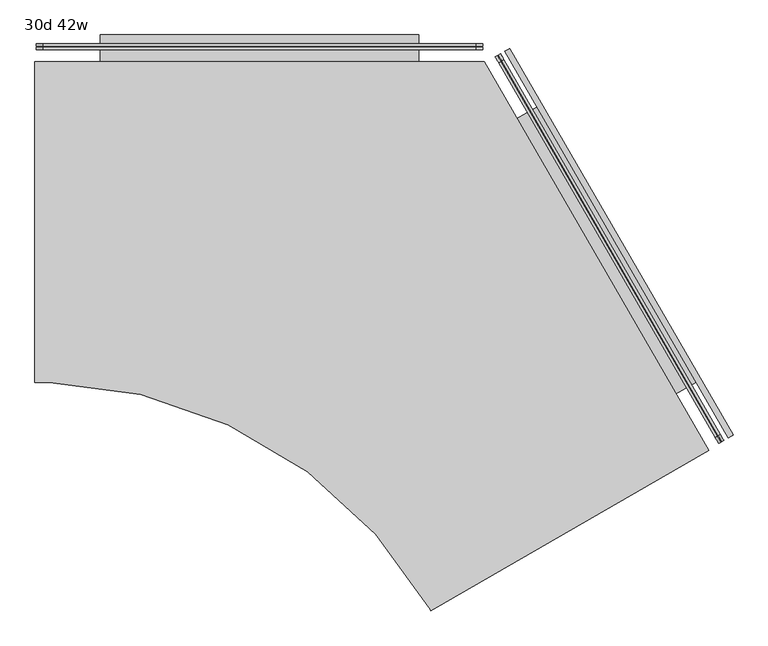
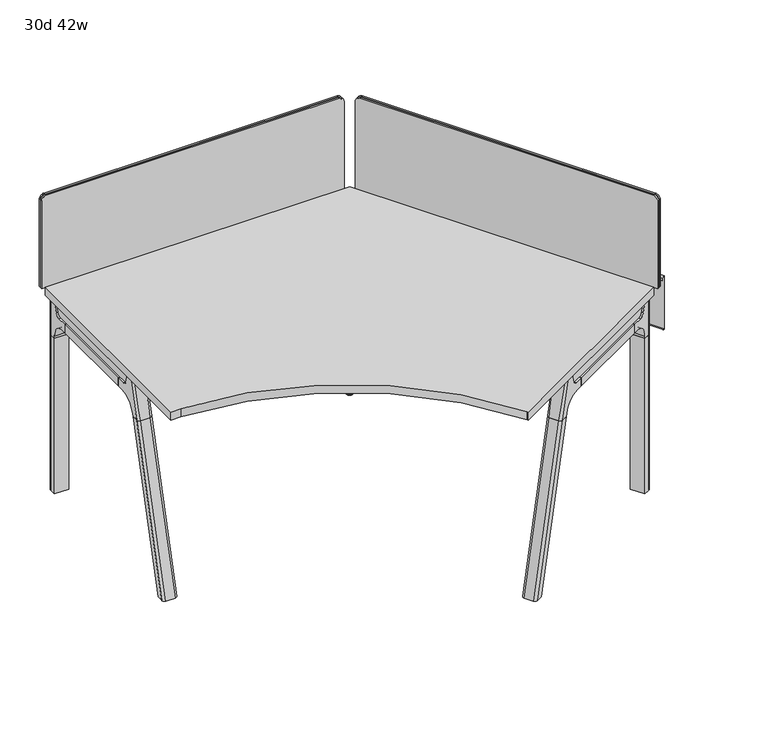
"""IFC4 building model written with IfcOpenShell, lengths in millimetres: furniture geometry, 30d 42w."""

from ifc_helpers import new_model, si_unit, point, frame, frame_2d, origin, place, context, project, spatial, polyline, circle_curve, ellipse_curve, trimmed, segment, composite_curve, outline, extrude, source, transform, mapped, element, save
from ifc_brep_helpers import plane_surface, cylinder_surface, revolved_surface, advanced_brep


def furniture_30d_42w_b254e23e(model_context):
    return source(origin(), model_context, "Body", "SolidModel", [
        extrude(outline(composite_curve([segment(polyline([(4447.870945, -1351.246301), (3787.9595873, -1732.246301), (3785.9089166, -1728.694435)]), True, "CONTINUOUS"), segment(trimmed(circle_curve(frame_2d((2851.0344932, -2268.444435)), 1079.5), [point((3785.9089166, -1728.694435))], [point((2881.3573776, -1189.3704002))], True, "CARTESIAN"), True, "CONTINUOUS"), segment(polyline([(2881.3573776, -1189.3704002), (2847.670945, -1189.3704002), (2847.670945, -427.3704002), (3914.470945, -427.3704002), (4447.870945, -1351.246301)]), True, "CONTINUOUS")], self_intersect=False)), frame((0.0, 0.0, 711.2), z_axis=(0.0, 0.0, 1.0), x_axis=(1.0, 0.0, 0.0)), (0.0, 0.0, 1.0), 30.1625),
        advanced_brep(
        [(3900.1963967, -460.0945908, 35.0000007), (3893.2682387, -456.0946169, 35.0000007), (3896.7323177, -458.0946039, 35.0000007), (3900.1963967, -460.0945908, 5.0000003), (3893.2682387, -456.0946169, 5.0000003), (3905.5711745, -463.1977202, 5.0000003), (3887.893461, -452.9914875, 5.0000003), (3906.2585821, -463.5945952, 4.2062503), (3887.2060533, -452.5946125, 4.2062503), (3906.2585821, -463.5945952, 0.79375), (3887.2060533, -452.5946125, 0.79375), (3905.5711745, -463.1977202, 0.0), (3887.893461, -452.9914875, 0.0), (3896.7323177, -458.0946039, 0.0)],
        [
            (0, 1, circle_curve(frame((3896.7323177, -458.0946039, 35.0000007), z_axis=(0.0, 0.0, 1.0), x_axis=(-0.8660254037844346, 0.5000000000000068, 0.0)), 3.9999739)),
            (1, 2),
            (2, 0),
            (1, 0, circle_curve(frame((3896.7323177, -458.0946039, 35.0000007), z_axis=(0.0, 0.0, 1.0), x_axis=(-0.8660254037844346, 0.5000000000000068, 0.0)), 3.9999739)),
            (3, 4, circle_curve(frame((3896.7323177, -458.0946039, 5.0000003), z_axis=(0.0, 0.0, 1.0), x_axis=(-0.8660254037844346, 0.5000000000000068, 0.0)), 3.9999739)),
            (4, 1),
            (0, 3),
            (4, 3, circle_curve(frame((3896.7323177, -458.0946039, 5.0000003), z_axis=(0.0, 0.0, 1.0), x_axis=(-0.8660254037844346, 0.5000000000000068, 0.0)), 3.9999739)),
            (5, 6, circle_curve(frame((3896.7323177, -458.0946039, 5.0000003), z_axis=(0.0, 0.0, 1.0), x_axis=(-0.8660254037844346, 0.5000000000000068, 0.0)), 10.2062326)),
            (6, 4),
            (3, 5),
            (6, 5, circle_curve(frame((3896.7323177, -458.0946039, 5.0000003), z_axis=(0.0, 0.0, 1.0), x_axis=(-0.8660254037844346, 0.5000000000000068, 0.0)), 10.2062326)),
            (7, 8, circle_curve(frame((3896.7323177, -458.0946039, 4.2062503), z_axis=(0.0, 0.0, 1.0), x_axis=(-0.8660254037844346, 0.5000000000000068, 0.0)), 10.9999826)),
            (8, 6, circle_curve(frame((3887.893461, -452.9914875, 4.2062503), z_axis=(0.5000000000000068, 0.8660254037844346, 0.0), x_axis=(0.0, 0.0, -1.0)), 0.79375)),
            (5, 7, circle_curve(frame((3905.5711745, -463.1977202, 4.2062503), z_axis=(0.500000000000004, 0.8660254037844363, 0.0), x_axis=(0.0, 0.0, -1.0)), 0.79375)),
            (8, 7, circle_curve(frame((3896.7323177, -458.0946039, 4.2062503), z_axis=(0.0, 0.0, 1.0), x_axis=(-0.8660254037844346, 0.5000000000000068, 0.0)), 10.9999826)),
            (9, 10, circle_curve(frame((3896.7323177, -458.0946039, 0.79375), z_axis=(0.0, 0.0, 1.0), x_axis=(-0.8660254037844346, 0.5000000000000068, 0.0)), 10.9999826)),
            (10, 8),
            (7, 9),
            (10, 9, circle_curve(frame((3896.7323177, -458.0946039, 0.79375), z_axis=(0.0, 0.0, 1.0), x_axis=(-0.8660254037844346, 0.5000000000000068, 0.0)), 10.9999826)),
            (11, 12, circle_curve(frame((3896.7323177, -458.0946039, 0.0), z_axis=(0.0, 0.0, 1.0), x_axis=(-0.8660254037844346, 0.5000000000000068, 0.0)), 10.2062326)),
            (12, 10, circle_curve(frame((3887.893461, -452.9914875, 0.79375), z_axis=(0.5000000000000068, 0.8660254037844346, 0.0), x_axis=(0.0, 0.0, -1.0)), 0.79375)),
            (9, 11, circle_curve(frame((3905.5711745, -463.1977202, 0.79375), z_axis=(0.500000000000004, 0.8660254037844363, 0.0), x_axis=(0.0, 0.0, -1.0)), 0.79375)),
            (12, 11, circle_curve(frame((3896.7323177, -458.0946039, 0.0), z_axis=(0.0, 0.0, 1.0), x_axis=(-0.8660254037844346, 0.5000000000000068, 0.0)), 10.2062326)),
            (13, 12),
            (11, 13),
        ],
        [
            plane_surface(frame((3896.7323177, -458.0946039, 35.0000007), z_axis=(0.0, 0.0, 1.0), x_axis=(-0.8660254037844347, 0.5000000000000069, 0.0))),
            cylinder_surface(frame((3896.7323177, -458.0946039, 52.3860264), z_axis=(0.0, 0.0, -1.0), x_axis=(-0.8660254037844346, 0.5000000000000068, 0.0)), 3.9999739),
            plane_surface(frame((3896.7323177, -458.0946039, 5.0000003), z_axis=(0.0, 0.0, 1.0), x_axis=(-0.8660254037844347, 0.5000000000000069, 0.0))),
            revolved_surface(trimmed(ellipse_curve(frame((3887.893461, -452.9914875, 4.2062503), z_axis=(-0.5000000000000068, -0.8660254037844346, 0.0), x_axis=(0.0, 0.0, -1.0)), 0.79375, 0.79375), [point((3887.893461, -452.9914875, 5.0000003))], [point((3887.2060533, -452.5946125, 4.2062503))], True, "CARTESIAN"), (3896.7323177, -458.0946039, 52.3860264), (0.0, 0.0, -1.0)),
            cylinder_surface(frame((3896.7323177, -458.0946039, 52.3860264), z_axis=(0.0, 0.0, -1.0), x_axis=(-0.8660254037844346, 0.5000000000000068, 0.0)), 10.9999826),
            revolved_surface(trimmed(ellipse_curve(frame((3887.893461, -452.9914875, 0.79375), z_axis=(-0.5000000000000068, -0.8660254037844346, 0.0), x_axis=(0.0, 0.0, -1.0)), 0.79375, 0.79375), [point((3887.2060533, -452.5946125, 0.79375))], [point((3887.893461, -452.9914875, 0.0))], True, "CARTESIAN"), (3896.7323177, -458.0946039, 52.3860264), (0.0, 0.0, -1.0)),
            plane_surface(frame((3896.7323177, -458.0946039, 0.0), z_axis=(0.0, 0.0, -1.0), x_axis=(-0.8660254037844347, 0.5000000000000069, 0.0))),
        ],
        [
            (0, [[1, 2, 3]]),
            (0, [[4, -3, -2]]),
            (1, [[5, 6, -1, 7]]),
            (1, [[8, -7, -4, -6]]),
            (2, [[9, 10, -5, 11]]),
            (2, [[12, -11, -8, -10]]),
            (3, [[13, 14, -9, 15]]),
            (3, [[16, -15, -12, -14]]),
            (4, [[17, 18, -13, 19]]),
            (4, [[20, -19, -16, -18]]),
            (5, [[21, 22, -17, 23]]),
            (5, [[24, -23, -20, -22]]),
            (6, [[25, -21, 26]]),
            (6, [[-26, -24, -25]]),
        ],
    ),
        extrude(outline(composite_curve([segment(trimmed(circle_curve(frame_2d((3910.3539816, -481.5552641)), 1.4920026), [point((3911.6460938, -482.3012654))], [point((3909.6079803, -482.8473763))], False, "CARTESIAN"), True, "CONTINUOUS"), segment(polyline([(3909.6079803, -482.8473763), (3868.8579567, -459.3203392)]), True, "CONTINUOUS"), segment(trimmed(circle_curve(frame_2d((3869.603958, -458.028227)), 1.4920026), [point((3868.8579567, -459.3203392))], [point((3868.3118459, -457.2822257))], False, "CARTESIAN"), True, "CONTINUOUS"), segment(polyline([(3868.3118459, -457.2822257), (3877.7172574, -440.9915751)]), True, "CONTINUOUS"), segment(trimmed(circle_curve(frame_2d((3886.3098532, -445.9525126)), 9.921875), [point((3877.7172574, -440.9915751))], [point((3891.2707907, -437.3599168))], False, "CARTESIAN"), True, "CONTINUOUS"), segment(polyline([(3891.2707907, -437.3599168), (3917.419847, -452.4570815)]), True, "CONTINUOUS"), segment(trimmed(circle_curve(frame_2d((3912.4589095, -461.0496773)), 9.921875), [point((3917.419847, -452.4570815))], [point((3921.0515053, -466.0106148))], False, "CARTESIAN"), True, "CONTINUOUS"), segment(polyline([(3921.0515053, -466.0106148), (3911.6460938, -482.3012654)]), True, "CONTINUOUS")], self_intersect=False)), frame((0.0, 0.0, 10.7173168), z_axis=(0.0, 0.0, 1.0), x_axis=(1.0, 0.0, 0.0)), (0.0, 0.0, 1.0), 700.4826832),
        extrude(outline(composite_curve([segment(trimmed(circle_curve(frame_2d((0.0, -15.875)), 15.875), [point((0.0, -31.75))], [point((-15.875, -15.875))], False, "CARTESIAN"), True, "CONTINUOUS"), segment(polyline([(-15.875, -15.875), (-15.875, 302.41875), (1038.225, 302.41875), (1038.225, -15.875)]), True, "CONTINUOUS"), segment(trimmed(circle_curve(frame_2d((1022.35, -15.875)), 15.875), [point((1038.225, -15.875))], [point((1022.35, -31.75))], False, "CARTESIAN"), True, "CONTINUOUS"), segment(polyline([(1022.35, -31.75), (0.0, -31.75)]), True, "CONTINUOUS")], self_intersect=False)), frame((3955.1419745, -429.5521898, 1023.14375), z_axis=(0.8660254037844421, 0.4999999999999942, 0.0), x_axis=(0.4999999999999941, -0.8660254037844419, 0.0)), (0.0, 0.0, 1.0), 3.175),
        extrude(outline(composite_curve([segment(trimmed(circle_curve(frame_2d((0.0, -15.875)), 15.875), [point((15.875, -15.875))], [point((0.0, -31.7499999))], False, "CARTESIAN"), True, "CONTINUOUS"), segment(polyline([(0.0, -31.7499999), (-324.64375, -31.7499999), (-324.64375, 1028.7), (0.0, 1028.7)]), True, "CONTINUOUS"), segment(trimmed(circle_curve(frame_2d((0.0, 1012.825)), 15.875), [point((0.0, 1028.7))], [point((15.875, 1012.825))], False, "CARTESIAN"), True, "CONTINUOUS"), segment(polyline([(15.875, 1012.825), (15.875, -15.875)]), True, "CONTINUOUS")], self_intersect=False)), frame((3956.6801209, -443.3288374, 1042.19375), z_axis=(0.8660254037844438, 0.49999999999999145, 0.0), x_axis=(0.0, 0.0, 1.0)), (0.0, 0.0, 1.0), 5.55625),
        extrude(outline(composite_curve([segment(trimmed(circle_curve(frame_2d((0.0, -15.875)), 15.875), [point((0.0, -31.75))], [point((-15.8749999, -15.875))], False, "CARTESIAN"), True, "CONTINUOUS"), segment(polyline([(-15.8749999, -15.875), (-15.8749999, 308.76875), (1044.575, 308.76875), (1044.575, -15.875)]), True, "CONTINUOUS"), segment(trimmed(circle_curve(frame_2d((1028.7, -15.875)), 15.875), [point((1044.575, -15.875))], [point((1028.7, -31.75))], False, "CARTESIAN"), True, "CONTINUOUS"), segment(polyline([(1028.7, -31.75), (0.0, -31.75)]), True, "CONTINUOUS")], self_intersect=False)), frame((3956.3041052, -425.2150591, 1026.31875), z_axis=(0.8660254037844421, 0.4999999999999942, 0.0), x_axis=(0.4999999999999941, -0.8660254037844419, 0.0)), (0.0, 0.0, 1.0), 5.55625),
        extrude(outline(composite_curve([segment(polyline([(1054.89375, 3892.245945), (1054.89375, 2869.895945)]), True, "CONTINUOUS"), segment(trimmed(circle_curve(frame_2d((1039.01875, 2869.895945)), 15.875), [point((1054.89375, 2869.895945))], [point((1039.01875, 2854.020945))], False, "CARTESIAN"), True, "CONTINUOUS"), segment(polyline([(1039.01875, 2854.020945), (720.725, 2854.020945), (720.725, 3908.120945), (1039.01875, 3908.120945)]), True, "CONTINUOUS"), segment(trimmed(circle_curve(frame_2d((1039.01875, 3892.245945)), 15.875), [point((1039.01875, 3908.120945))], [point((1054.89375, 3892.245945))], False, "CARTESIAN"), True, "CONTINUOUS")], self_intersect=False)), frame((0.0, -393.2391502, 0.0), z_axis=(0.0, 1.0, 0.0), x_axis=(0.0, 0.0, 1.0)), (0.0, 0.0, 1.0), 3.175),
        extrude(outline(composite_curve([segment(polyline([(1058.06875, 3895.420945), (1058.06875, 2866.720945)]), True, "CONTINUOUS"), segment(trimmed(circle_curve(frame_2d((1042.19375, 2866.720945)), 15.875), [point((1058.06875, 2866.720945))], [point((1042.19375, 2850.845945))], False, "CARTESIAN"), True, "CONTINUOUS"), segment(polyline([(1042.19375, 2850.845945), (717.55, 2850.845945), (717.55, 3911.295945), (1042.19375, 3911.295945)]), True, "CONTINUOUS"), segment(trimmed(circle_curve(frame_2d((1042.19375, 3895.420945)), 15.875), [point((1042.19375, 3911.295945))], [point((1058.06875, 3895.420945))], False, "CARTESIAN"), True, "CONTINUOUS")], self_intersect=False)), frame((0.0, -390.0641502, 0.0), z_axis=(0.0, 1.0, 0.0), x_axis=(0.0, 0.0, 1.0)), (0.0, 0.0, 1.0), 5.55625),
        extrude(outline(composite_curve([segment(polyline([(1058.06875, 3895.420945), (1058.06875, 2866.720945)]), True, "CONTINUOUS"), segment(trimmed(circle_curve(frame_2d((1042.19375, 2866.720945)), 15.875), [point((1058.06875, 2866.720945))], [point((1042.19375, 2850.845945))], False, "CARTESIAN"), True, "CONTINUOUS"), segment(polyline([(1042.19375, 2850.845945), (717.55, 2850.845945), (717.55, 3911.295945), (1042.19375, 3911.295945)]), True, "CONTINUOUS"), segment(trimmed(circle_curve(frame_2d((1042.19375, 3895.420945)), 15.875), [point((1042.19375, 3911.295945))], [point((1058.06875, 3895.420945))], False, "CARTESIAN"), True, "CONTINUOUS")], self_intersect=False)), frame((0.0, -398.7954002, 0.0), z_axis=(0.0, 1.0, 0.0), x_axis=(0.0, 0.0, 1.0)), (0.0, 0.0, 1.0), 5.55625),
        advanced_brep(
        [(4405.55383, -1368.3457503, 711.2), (4397.7092846, -1372.8748007, 677.3947076), (4384.4295883, -1380.5418369, 665.6284599), (4353.2707256, -1398.5314146, 665.6284599), (4353.2707256, -1398.5314146, 635.6476591), (4362.8944329, -1392.9751646, 635.6476591), (4406.8885234, -1367.5751646, 584.8476591), (4406.8885234, -1367.5751646, 576.659375), (4426.135938, -1356.4626646, 576.659375), (4426.135938, -1356.4626646, 711.2), (4381.4885234, -1323.5810741, 576.659375), (4381.4885234, -1323.5810741, 584.8476591), (4337.4944329, -1348.9810741, 635.6476591), (4327.8707256, -1354.5373241, 635.6476591), (4327.8707256, -1354.5373241, 665.6284599), (4359.0295883, -1336.5477464, 665.6284599), (4372.3092846, -1328.8807102, 677.3947076), (4380.15383, -1324.3516598, 711.2), (4400.735938, -1312.4685741, 711.2), (4400.735938, -1312.4685741, 576.659375), (4429.62233, -1343.4512727, 711.2), (4413.74733, -1315.9549661, 711.2), (4413.74733, -1315.9549661, 576.659375), (4429.62233, -1343.4512727, 576.659375)],
        [
            (0, 1),
            (1, 2, circle_curve(frame((4384.4295883, -1380.5418369, 681.5034599), z_axis=(-0.49999999999999706, 0.8660254037844405, 0.0), x_axis=(0.8660254037844407, 0.49999999999999717, 0.0)), 15.875)),
            (2, 3),
            (3, 4),
            (4, 5),
            (5, 6, circle_curve(frame((4362.8944329, -1392.9751646, 584.8476591), z_axis=(-0.49999999999999706, 0.8660254037844405, 0.0), x_axis=(0.8660254037844407, 0.49999999999999717, 0.0)), 50.8)),
            (6, 7),
            (7, 8),
            (8, 9),
            (9, 0),
            (10, 11),
            (11, 12, circle_curve(frame((4337.4944329, -1348.9810741, 584.8476591), z_axis=(0.49999999999999706, -0.8660254037844405, 0.0), x_axis=(0.8660254037844407, 0.49999999999999717, 0.0)), 50.8)),
            (12, 13),
            (13, 14),
            (14, 15),
            (15, 16, circle_curve(frame((4359.0295883, -1336.5477464, 681.5034599), z_axis=(0.49999999999999706, -0.8660254037844405, 0.0), x_axis=(0.8660254037844407, 0.49999999999999717, 0.0)), 15.875)),
            (16, 17),
            (17, 18),
            (18, 19),
            (19, 10),
            (17, 0),
            (9, 20, circle_curve(frame((4421.373438, -1348.2137727, 711.2), z_axis=(0.0, 0.0, 1.0), x_axis=(-0.49999999999999856, 0.8660254037844399, 0.0)), 9.525)),
            (20, 21),
            (21, 18, circle_curve(frame((4405.498438, -1320.7174661, 711.2), z_axis=(0.0, 0.0, 1.0), x_axis=(-0.49999999999999856, 0.8660254037844399, 0.0)), 9.525)),
            (16, 1),
            (15, 2),
            (14, 3),
            (13, 4),
            (12, 5),
            (7, 10),
            (19, 22, circle_curve(frame((4405.498438, -1320.7174661, 576.659375), z_axis=(0.0, 0.0, -1.0), x_axis=(-0.49999999999999856, 0.8660254037844399, 0.0)), 9.525)),
            (22, 23),
            (23, 8, circle_curve(frame((4421.373438, -1348.2137727, 576.659375), z_axis=(0.0, 0.0, -1.0), x_axis=(-0.49999999999999856, 0.8660254037844399, 0.0)), 9.525)),
            (11, 6),
            (23, 20),
            (21, 22),
        ],
        [
            plane_surface(frame((4440.3833805, -1348.2368999, 711.2), z_axis=(0.49999999999999706, -0.8660254037844405, 0.0), x_axis=(-0.8660254037844405, -0.49999999999999706, 0.0))),
            plane_surface(frame((4414.9833805, -1304.2428094, 711.2), z_axis=(-0.49999999999999706, 0.8660254037844405, 0.0), x_axis=(0.8660254037844405, 0.49999999999999706, 0.0))),
            plane_surface(frame((4440.3833805, -1348.2368999, 711.2), z_axis=(0.0, 0.0, 1.0000000000000002), x_axis=(-0.4999999999999973, 0.8660254037844404, 0.0))),
            plane_surface(frame((4405.55383, -1368.3457503, 711.2), z_axis=(-0.8365163037378096, -0.48296291314453155, 0.25881904510252085), x_axis=(-0.4999999999999973, 0.8660254037844404, 0.0))),
            revolved_surface(polyline([(4372.777741585078, -1328.6102464, 681.5034599), (4398.177741594306, -1372.6043369282334, 681.5034599)]), (4359.0295883, -1336.5477464, 681.5034599), (-0.49999999999999717, 0.8660254037844407, 0.0)),
            plane_surface(frame((4384.4295883, -1380.5418369, 665.6284599), z_axis=(0.0, 0.0, 1.0000000000000002), x_axis=(-0.4999999999999973, 0.8660254037844404, 0.0))),
            plane_surface(frame((4353.2707256, -1398.5314146, 665.6284599), z_axis=(-0.8660254037844404, -0.4999999999999973, 0.0), x_axis=(-0.4999999999999973, 0.8660254037844404, 0.0))),
            plane_surface(frame((4353.2707256, -1398.5314146, 635.6476591), z_axis=(0.0, 0.0, -1.0000000000000002), x_axis=(-0.4999999999999973, 0.8660254037844404, 0.0))),
            plane_surface(frame((4406.8885234, -1367.5751646, 576.659375), z_axis=(0.0, 0.0, -1.0000000000000002), x_axis=(-0.4999999999999973, 0.8660254037844404, 0.0))),
            revolved_surface(polyline([(4381.488523409187, -1323.5810740946959, 584.8476591), (4406.888523406945, -1367.5751646030624, 584.8476591)]), (4337.4944329, -1348.9810741, 584.8476591), (-0.49999999999999717, 0.8660254037844407, 0.0)),
            plane_surface(frame((4406.8885234, -1367.5751646, 584.8476591), z_axis=(-0.8660254037844404, -0.4999999999999973, 0.0), x_axis=(-0.4999999999999973, 0.8660254037844404, 0.0))),
            cylinder_surface(frame((4421.373438, -1348.2137727, 524.9807374), z_axis=(0.0, 0.0, -1.0), x_axis=(-0.49999999999999856, 0.8660254037844399, 0.0)), 9.525),
            cylinder_surface(frame((4405.498438, -1320.7174661, 524.9807374), z_axis=(0.0, 0.0, -1.0), x_axis=(-0.49999999999999856, 0.8660254037844399, 0.0)), 9.525),
            plane_surface(frame((4413.74733, -1315.9549661, 711.2), z_axis=(0.8660254037844396, 0.49999999999999833, 0.0), x_axis=(0.0, 0.0, -1.0))),
        ],
        [
            (0, [[1, 2, 3, 4, 5, 6, 7, 8, 9, 10]]),
            (1, [[11, 12, 13, 14, 15, 16, 17, 18, 19, 20]]),
            (2, [[21, -10, 22, 23, 24, -18]]),
            (3, [[-1, -21, -17, 25]]),
            (4, [[-2, -25, -16, 26]]),
            (5, [[-3, -26, -15, 27]]),
            (6, [[-4, -27, -14, 28]]),
            (7, [[-5, -28, -13, 29]]),
            (8, [[30, -20, 31, 32, 33, -8]]),
            (9, [[-6, -29, -12, 34]]),
            (10, [[-7, -34, -11, -30]]),
            (11, [[35, -22, -9, -33]]),
            (12, [[36, -31, -19, -24]]),
            (13, [[-35, -32, -36, -23]]),
        ],
    ),
        advanced_brep(
        [(4381.4885234, -1323.5810741, 576.659375), (4406.8885234, -1367.5751646, 576.659375), (4426.135938, -1356.4626646, 576.659375), (4429.62233, -1343.4512727, 576.659375), (4413.74733, -1315.9549661, 576.659375), (4400.735938, -1312.4685741, 576.659375), (4381.4885234, -1323.5810741, 0.0), (4400.735938, -1312.4685741, 0.0), (4413.74733, -1315.9549661, 0.0), (4429.62233, -1343.4512727, 0.0), (4426.135938, -1356.4626646, 0.0), (4406.8885234, -1367.5751646, 0.0), (4426.135938, -1356.4626646, 524.9807374), (4429.62233, -1343.4512727, 524.9807374), (4413.74733, -1315.9549661, 524.9807374), (4400.735938, -1312.4685741, 524.9807374)],
        [
            (0, 1),
            (1, 2),
            (2, 3, circle_curve(frame((4421.373438, -1348.2137727, 576.659375), z_axis=(0.0, 0.0, 1.0), x_axis=(-0.49999999999999856, 0.8660254037844399, 0.0)), 9.525)),
            (3, 4),
            (4, 5, circle_curve(frame((4405.498438, -1320.7174661, 576.659375), z_axis=(0.0, 0.0, 1.0), x_axis=(-0.49999999999999856, 0.8660254037844399, 0.0)), 9.525)),
            (5, 0),
            (6, 7),
            (7, 8, circle_curve(frame((4405.498438, -1320.7174661, 0.0), z_axis=(0.0, 0.0, -1.0), x_axis=(-0.49999999999999856, 0.8660254037844399, 0.0)), 9.525)),
            (8, 9),
            (9, 10, circle_curve(frame((4421.373438, -1348.2137727, 0.0), z_axis=(0.0, 0.0, -1.0), x_axis=(-0.49999999999999856, 0.8660254037844399, 0.0)), 9.525)),
            (10, 11),
            (11, 6),
            (0, 6),
            (11, 1),
            (10, 12),
            (12, 2),
            (9, 13),
            (13, 3),
            (8, 14),
            (14, 4),
            (7, 15),
            (15, 5),
        ],
        [
            plane_surface(frame((4410.4866686, -1373.8073348, 576.659375), z_axis=(0.0, 0.0, 1.0), x_axis=(0.49999999999999833, -0.8660254037844396, 0.0))),
            plane_surface(frame((4410.4866686, -1373.8073348, 0.0), z_axis=(0.0, 0.0, -1.0), x_axis=(-0.49999999999999833, 0.8660254037844396, 0.0))),
            plane_surface(frame((4381.4885234, -1323.5810741, 576.659375), z_axis=(-0.8660254037844396, -0.49999999999999833, 0.0), x_axis=(0.0, 0.0, -1.0))),
            plane_surface(frame((4406.8885234, -1367.5751646, 576.659375), z_axis=(0.49999999999999833, -0.8660254037844396, 0.0), x_axis=(0.0, 0.0, -1.0))),
            cylinder_surface(frame((4421.373438, -1348.2137727, 0.0), z_axis=(0.0, 0.0, 1.0), x_axis=(-0.49999999999999856, 0.8660254037844399, 0.0)), 9.525),
            plane_surface(frame((4429.62233, -1343.4512727, 576.659375), z_axis=(0.8660254037844396, 0.49999999999999833, 0.0), x_axis=(0.0, 0.0, -1.0))),
            cylinder_surface(frame((4405.498438, -1320.7174661, 0.0), z_axis=(0.0, 0.0, 1.0), x_axis=(-0.49999999999999856, 0.8660254037844399, 0.0)), 9.525),
            plane_surface(frame((4400.735938, -1312.4685741, 576.659375), z_axis=(-0.49999999999999833, 0.8660254037844396, 0.0), x_axis=(0.0, 0.0, -1.0))),
        ],
        [
            (0, [[1, 2, 3, 4, 5, 6]]),
            (1, [[7, 8, 9, 10, 11, 12]]),
            (2, [[-1, 13, -12, 14]]),
            (3, [[-2, -14, -11, 15, 16]]),
            (4, [[-3, -16, -15, -10, 17, 18]]),
            (5, [[-4, -18, -17, -9, 19, 20]]),
            (6, [[-5, -20, -19, -8, 21, 22]]),
            (7, [[-6, -22, -21, -7, -13]]),
        ],
    ),
        advanced_brep(
        [(4023.9623326, -1588.657704, 711.2), (4005.3717581, -1599.3909772, 711.2), (3974.6723322, -1617.115299, 576.6820411), (3992.9489062, -1606.5633141, 576.6820411), (3995.1643829, -1605.284208, 586.2294189), (4050.9391075, -1573.0826558, 635.6476591), (4070.7461756, -1561.6470396, 635.6476591), (4070.7461756, -1561.6470396, 665.6284599), (4045.0865743, -1576.4616174, 665.6284599), (4031.806878, -1584.1286536, 677.3947076), (3967.5489062, -1562.5692236, 576.6820411), (3949.2723322, -1573.1212085, 576.6820411), (3979.9717581, -1555.3968867, 711.2), (3998.5623326, -1544.6636135, 711.2), (4006.406878, -1540.1345631, 677.3947076), (4019.6865743, -1532.4675269, 665.6284599), (4045.3461756, -1517.6529491, 665.6284599), (4045.3461756, -1517.6529491, 635.6476591), (4025.5391075, -1529.0885653, 635.6476591), (3969.7643829, -1561.2901175, 586.2294189), (3975.0887357, -1565.4489329, 711.2), (3994.2249195, -1598.5937755, 711.2), (3961.3793266, -1613.7914967, 576.6820411), (3945.5043266, -1586.2951902, 576.6820411)],
        [
            (0, 1),
            (1, 2),
            (2, 3),
            (3, 4),
            (4, 5, circle_curve(frame((4050.9391075, -1573.0826558, 568.9726591), z_axis=(-0.49999999999999695, 0.8660254037844405, 0.0), x_axis=(-0.8660254037844407, -0.49999999999999706, 0.0)), 66.675)),
            (5, 6),
            (6, 7),
            (7, 8),
            (8, 9, circle_curve(frame((4045.0865743, -1576.4616174, 681.5034599), z_axis=(-0.49999999999999695, 0.8660254037844405, 0.0), x_axis=(-0.8660254037844407, -0.49999999999999706, 0.0)), 15.875)),
            (9, 0),
            (10, 11),
            (11, 12),
            (12, 13),
            (13, 14),
            (14, 15, circle_curve(frame((4019.6865743, -1532.4675269, 681.5034599), z_axis=(0.49999999999999695, -0.8660254037844405, 0.0), x_axis=(-0.8660254037844407, -0.49999999999999706, 0.0)), 15.875)),
            (15, 16),
            (16, 17),
            (17, 18),
            (18, 19, circle_curve(frame((4025.5391075, -1529.0885653, 568.9726591), z_axis=(0.49999999999999695, -0.8660254037844405, 0.0), x_axis=(-0.8660254037844407, -0.49999999999999706, 0.0)), 66.675)),
            (19, 10),
            (12, 20, ellipse_curve(frame((3984.7342581, -1563.6457787, 711.2), z_axis=(0.0, 0.0, 1.0), x_axis=(-0.8660254037844412, -0.4999999999999954, 0.0)), 9.8501793, 9.525)),
            (20, 21),
            (21, 1, ellipse_curve(frame((4000.6092581, -1591.1420852, 711.2), z_axis=(0.0, 0.0, 1.0), x_axis=(-0.8660254037844412, -0.4999999999999954, 0.0)), 9.8501793, 9.525)),
            (0, 13),
            (9, 14),
            (8, 15),
            (7, 16),
            (6, 17),
            (5, 18),
            (4, 19),
            (3, 10),
            (2, 22, ellipse_curve(frame((3969.9098322, -1608.8664071, 576.6820411), z_axis=(0.0, 0.0, -1.0), x_axis=(-0.8660254037844412, -0.4999999999999954, 0.0)), 9.8501793, 9.525)),
            (22, 23),
            (23, 11, ellipse_curve(frame((3954.0348322, -1581.3701005, 576.6820411), z_axis=(0.0, 0.0, -1.0), x_axis=(-0.8660254037844412, -0.4999999999999954, 0.0)), 9.8501793, 9.525)),
            (20, 23, ellipse_curve(frame((4461.9756491, -1288.1103331, 2802.3641142), z_axis=(-0.8365163037378097, -0.48296291314453094, 0.25881904510252063), x_axis=(-0.22414386804201397, -0.12940952255125918, -0.9659258262890684)), 2304.1956354, 9.525)),
            (22, 21, ellipse_curve(frame((4477.8506491, -1315.6066397, 2802.3641142), z_axis=(-0.8365163037378097, -0.48296291314453094, 0.25881904510252063), x_axis=(-0.22414386804201397, -0.12940952255125918, -0.9659258262890684)), 2304.1956354, 9.525)),
        ],
        [
            plane_surface(frame((3997.3568276, -1604.0183995, 711.2), z_axis=(0.49999999999999695, -0.8660254037844405, 0.0), x_axis=(0.8660254037844405, 0.49999999999999695, 0.0))),
            plane_surface(frame((3971.9568276, -1560.024309, 711.2), z_axis=(-0.49999999999999695, 0.8660254037844405, 0.0), x_axis=(-0.8660254037844405, -0.49999999999999695, 0.0))),
            plane_surface(frame((3997.3568276, -1604.0183995, 711.2), z_axis=(0.0, 0.0, 1.0), x_axis=(-0.4999999999999967, 0.8660254037844406, 0.0))),
            plane_surface(frame((4023.9623326, -1588.657704, 711.2), z_axis=(0.8365163037378098, 0.482962913144531, 0.2588190451025208), x_axis=(-0.4999999999999967, 0.8660254037844406, 0.0))),
            revolved_surface(polyline([(4005.9384210003896, -1540.4050268748288, 681.5034599), (4031.338421009618, -1584.3991174030625, 681.5034599)]), (4019.6865743, -1532.4675269, 681.5034599), (-0.49999999999999706, 0.8660254037844407, 0.0)),
            plane_surface(frame((4045.0865743, -1576.4616174, 665.6284599), z_axis=(0.0, 0.0, 1.0), x_axis=(-0.4999999999999967, 0.8660254037844406, 0.0))),
            plane_surface(frame((4070.7461756, -1561.6470396, 665.6284599), z_axis=(0.8660254037844406, 0.4999999999999967, 0.0), x_axis=(-0.4999999999999967, 0.8660254037844406, 0.0))),
            plane_surface(frame((4070.7461756, -1561.6470396, 635.6476591), z_axis=(0.0, 0.0, -1.0), x_axis=(-0.4999999999999967, 0.8660254037844406, 0.0))),
            revolved_surface(polyline([(3967.7968636759174, -1562.4260652536595, 568.9726591), (3993.196863697368, -1606.4201558030625, 568.9726591)]), (4025.5391075, -1529.0885653, 568.9726591), (-0.49999999999999706, 0.8660254037844407, 0.0)),
            plane_surface(frame((3995.1643829, -1605.284208, 586.2294189), z_axis=(0.8365163037378107, 0.4829629131445315, -0.2588190451025171), x_axis=(-0.4999999999999967, 0.8660254037844406, 0.0))),
            plane_surface(frame((3992.9489062, -1606.5633141, 576.6820411), z_axis=(0.0, 0.0, -1.0), x_axis=(-0.4999999999999967, 0.8660254037844406, 0.0))),
            plane_surface(frame((3966.1418266, -1622.0403887, 576.6820411), z_axis=(-0.8365163037378099, -0.48296291314453105, 0.2588190451025207), x_axis=(-0.4999999999999967, 0.8660254037844406, 0.0))),
            cylinder_surface(frame((3837.7466524, -1685.1708545, -2.4271979), z_axis=(-0.2206839923176003, -0.1274119623704063, -0.966987470125486), x_axis=(-0.49999999999999567, 0.8660254037844415, 0.0)), 9.525),
            cylinder_surface(frame((3821.8716524, -1657.6745479, -2.4271979), z_axis=(-0.2206839923176003, -0.1274119623704063, -0.966987470125486), x_axis=(-0.49999999999999567, 0.8660254037844415, 0.0)), 9.525),
        ],
        [
            (0, [[1, 2, 3, 4, 5, 6, 7, 8, 9, 10]]),
            (1, [[11, 12, 13, 14, 15, 16, 17, 18, 19, 20]]),
            (2, [[-13, 21, 22, 23, -1, 24]]),
            (3, [[25, -14, -24, -10]]),
            (4, [[26, -15, -25, -9]]),
            (5, [[27, -16, -26, -8]]),
            (6, [[28, -17, -27, -7]]),
            (7, [[29, -18, -28, -6]]),
            (8, [[30, -19, -29, -5]]),
            (9, [[31, -20, -30, -4]]),
            (10, [[-3, 32, 33, 34, -11, -31]]),
            (11, [[35, -33, 36, -22]]),
            (12, [[-23, -36, -32, -2]]),
            (13, [[-34, -35, -21, -12]]),
        ],
    ),
        advanced_brep(
        [(3992.9489062, -1606.5633141, 576.6820411), (3974.6723322, -1617.115299, 576.6820411), (3843.0630828, -1693.0999346, 0.0), (3861.3396568, -1682.5479497, 0.0), (3835.9396568, -1638.5538592, 0.0), (3817.6630828, -1649.1058441, 0.0), (3949.2723322, -1573.1212085, 576.6820411), (3967.5489062, -1562.5692236, 576.6820411), (3945.5043266, -1586.2951902, 576.6820411), (3961.3793266, -1613.7914967, 576.6820411), (3829.7700772, -1689.7761323, 0.0), (3813.8950772, -1662.2798257, 0.0)],
        [
            (0, 1),
            (1, 2),
            (2, 3),
            (3, 0),
            (4, 5),
            (5, 6),
            (6, 7),
            (7, 4),
            (6, 8, ellipse_curve(frame((3954.0348322, -1581.3701005, 576.6820411), z_axis=(0.0, 0.0, 1.0), x_axis=(-0.8660254037844412, -0.4999999999999954, 0.0)), 9.8501793, 9.525)),
            (8, 9),
            (9, 1, ellipse_curve(frame((3969.9098322, -1608.8664071, 576.6820411), z_axis=(0.0, 0.0, 1.0), x_axis=(-0.8660254037844412, -0.4999999999999954, 0.0)), 9.8501793, 9.525)),
            (0, 7),
            (3, 4),
            (2, 10, ellipse_curve(frame((3838.3005828, -1684.8510426, 0.0), z_axis=(0.0, 0.0, -1.0), x_axis=(-0.8660254037844413, -0.4999999999999955, 0.0)), 9.8501793, 9.525)),
            (10, 11),
            (11, 5, ellipse_curve(frame((3822.4255828, -1657.3547361, 0.0), z_axis=(0.0, 0.0, -1.0), x_axis=(-0.8660254037844413, -0.4999999999999955, 0.0)), 9.8501793, 9.525)),
            (8, 11),
            (10, 9),
        ],
        [
            plane_surface(frame((3966.1418266, -1622.0403887, 576.6820411), z_axis=(0.49999999999999695, -0.8660254037844405, 0.0), x_axis=(0.8660254037844405, 0.49999999999999695, 0.0))),
            plane_surface(frame((3940.7418266, -1578.0462982, 576.6820411), z_axis=(-0.49999999999999695, 0.8660254037844405, 0.0), x_axis=(-0.8660254037844405, -0.49999999999999695, 0.0))),
            plane_surface(frame((3966.1418266, -1622.0403887, 576.6820411), z_axis=(0.0, 0.0, 1.0), x_axis=(-0.4999999999999967, 0.8660254037844406, 0.0))),
            plane_surface(frame((3992.9489062, -1606.5633141, 576.6820411), z_axis=(0.8374357142699173, 0.483493735062739, -0.25482392474082083), x_axis=(-0.4999999999999967, 0.8660254037844406, 0.0))),
            plane_surface(frame((3861.3396568, -1682.5479497, 0.0), z_axis=(0.0, 0.0, -1.0), x_axis=(-0.4999999999999967, 0.8660254037844406, 0.0))),
            plane_surface(frame((3834.5325772, -1698.0250243, 0.0), z_axis=(-0.8374357142699183, -0.48349373506273957, 0.2548239247408167), x_axis=(-0.4999999999999967, 0.8660254037844406, 0.0))),
            cylinder_surface(frame((3837.7466524, -1685.1708545, -2.4271979), z_axis=(-0.2206839923176003, -0.1274119623704063, -0.966987470125486), x_axis=(-0.49999999999999567, 0.8660254037844415, 0.0)), 9.525),
            cylinder_surface(frame((3821.8716524, -1657.6745479, -2.4271979), z_axis=(-0.2206839923176003, -0.1274119623704063, -0.966987470125486), x_axis=(-0.49999999999999567, 0.8660254037844415, 0.0)), 9.525),
        ],
        [
            (0, [[1, 2, 3, 4]]),
            (1, [[5, 6, 7, 8]]),
            (2, [[-7, 9, 10, 11, -1, 12]]),
            (3, [[13, -8, -12, -4]]),
            (4, [[-3, 14, 15, 16, -5, -13]]),
            (5, [[17, -15, 18, -10]]),
            (6, [[-11, -18, -14, -2]]),
            (7, [[-16, -17, -9, -6]]),
        ],
    ),
        advanced_brep(
        [(2904.820945, -472.5678215, 711.2), (2904.820945, -481.6259223, 677.3947076), (2904.820945, -496.9599947, 665.6284599), (2904.820945, -532.9391502, 665.6284599), (2904.820945, -532.9391502, 635.6476591), (2904.820945, -521.8266502, 635.6476591), (2904.820945, -471.0266502, 584.8476591), (2904.820945, -471.0266502, 576.659375), (2904.820945, -448.8016502, 576.659375), (2904.820945, -448.8016502, 711.2), (2854.020945, -471.0266502, 576.659375), (2854.020945, -471.0266502, 584.8476591), (2854.020945, -521.8266502, 635.6476591), (2854.020945, -532.9391502, 635.6476591), (2854.020945, -532.9391502, 665.6284599), (2854.020945, -496.9599947, 665.6284599), (2854.020945, -481.6259223, 677.3947076), (2854.020945, -472.5678215, 711.2), (2854.020945, -448.8016502, 711.2), (2854.020945, -448.8016502, 576.659375), (2895.295945, -439.2766502, 711.2), (2863.545945, -439.2766502, 711.2), (2863.545945, -439.2766502, 576.659375), (2895.295945, -439.2766502, 576.659375)],
        [
            (0, 1),
            (1, 2, circle_curve(frame((2904.820945, -496.9599947, 681.5034599), z_axis=(-1.0, 0.0, 0.0), x_axis=(0.0, 1.0, 0.0)), 15.875)),
            (2, 3),
            (3, 4),
            (4, 5),
            (5, 6, circle_curve(frame((2904.820945, -521.8266502, 584.8476591), z_axis=(-1.0, 0.0, 0.0), x_axis=(0.0, 1.0, 0.0)), 50.8)),
            (6, 7),
            (7, 8),
            (8, 9),
            (9, 0),
            (10, 11),
            (11, 12, circle_curve(frame((2854.020945, -521.8266502, 584.8476591), z_axis=(1.0, 0.0, 0.0), x_axis=(0.0, 1.0, 0.0)), 50.8)),
            (12, 13),
            (13, 14),
            (14, 15),
            (15, 16, circle_curve(frame((2854.020945, -496.9599947, 681.5034599), z_axis=(1.0, 0.0, 0.0), x_axis=(0.0, 1.0, 0.0)), 15.875)),
            (16, 17),
            (17, 18),
            (18, 19),
            (19, 10),
            (17, 0),
            (9, 20, circle_curve(frame((2895.295945, -448.8016502, 711.2), z_axis=(0.0, 0.0, 1.0), x_axis=(-1.0, 0.0, 0.0)), 9.525)),
            (20, 21),
            (21, 18, circle_curve(frame((2863.545945, -448.8016502, 711.2), z_axis=(0.0, 0.0, 1.0), x_axis=(-1.0, 0.0, 0.0)), 9.525)),
            (16, 1),
            (15, 2),
            (14, 3),
            (13, 4),
            (12, 5),
            (7, 10),
            (19, 22, circle_curve(frame((2863.545945, -448.8016502, 576.659375), z_axis=(0.0, 0.0, -1.0), x_axis=(-1.0, 0.0, 0.0)), 9.525)),
            (22, 23),
            (23, 8, circle_curve(frame((2895.295945, -448.8016502, 576.659375), z_axis=(0.0, 0.0, -1.0), x_axis=(-1.0, 0.0, 0.0)), 9.525)),
            (11, 6),
            (23, 20),
            (21, 22),
        ],
        [
            plane_surface(frame((2904.820945, -432.3501207, 711.2), z_axis=(1.0, 0.0, 0.0), x_axis=(0.0, -1.0, 0.0))),
            plane_surface(frame((2854.020945, -432.3501207, 711.2), z_axis=(-1.0, 0.0, 0.0), x_axis=(0.0, 1.0, 0.0))),
            plane_surface(frame((2904.820945, -432.3501207, 711.2), z_axis=(0.0, 0.0, 1.0), x_axis=(-1.0, 0.0, 0.0))),
            plane_surface(frame((2904.820945, -472.5678215, 711.2), z_axis=(0.0, -0.9659258262890683, 0.2588190451025207), x_axis=(-1.0, 0.0, 0.0))),
            revolved_surface(polyline([(2854.020945, -481.0849947, 681.5034599), (2904.820945, -481.0849947, 681.5034599)]), (2854.020945, -496.9599947, 681.5034599), (-1.0, 0.0, 0.0)),
            plane_surface(frame((2904.820945, -496.9599947, 665.6284599), z_axis=(0.0, 0.0, 1.0), x_axis=(-1.0, 0.0, 0.0))),
            plane_surface(frame((2904.820945, -532.9391502, 665.6284599), z_axis=(0.0, -1.0, 0.0), x_axis=(-1.0, 0.0, 0.0))),
            plane_surface(frame((2904.820945, -532.9391502, 635.6476591), z_axis=(0.0, 0.0, -1.0), x_axis=(-1.0, 0.0, 0.0))),
            plane_surface(frame((2904.820945, -471.0266502, 576.659375), z_axis=(0.0, 0.0, -1.0), x_axis=(-1.0, 0.0, 0.0))),
            revolved_surface(polyline([(2854.020945, -471.0266502, 584.8476591), (2904.820945, -471.0266502, 584.8476591)]), (2854.020945, -521.8266502, 584.8476591), (-1.0, 0.0, 0.0)),
            plane_surface(frame((2904.820945, -471.0266502, 584.8476591), z_axis=(0.0, -1.0, 0.0), x_axis=(-1.0, 0.0, 0.0))),
            cylinder_surface(frame((2895.295945, -448.8016502, 524.9807374), z_axis=(0.0, 0.0, -1.0), x_axis=(-1.0, 0.0, 0.0)), 9.525),
            cylinder_surface(frame((2863.545945, -448.8016502, 524.9807374), z_axis=(0.0, 0.0, -1.0), x_axis=(-1.0, 0.0, 0.0)), 9.525),
            plane_surface(frame((2863.545945, -439.2766502, 711.2), z_axis=(0.0, 1.0, 0.0), x_axis=(0.0, 0.0, -1.0))),
        ],
        [
            (0, [[1, 2, 3, 4, 5, 6, 7, 8, 9, 10]]),
            (1, [[11, 12, 13, 14, 15, 16, 17, 18, 19, 20]]),
            (2, [[21, -10, 22, 23, 24, -18]]),
            (3, [[-1, -21, -17, 25]]),
            (4, [[-2, -25, -16, 26]]),
            (5, [[-3, -26, -15, 27]]),
            (6, [[-4, -27, -14, 28]]),
            (7, [[-5, -28, -13, 29]]),
            (8, [[30, -20, 31, 32, 33, -8]]),
            (9, [[-6, -29, -12, 34]]),
            (10, [[-7, -34, -11, -30]]),
            (11, [[35, -22, -9, -33]]),
            (12, [[36, -31, -19, -24]]),
            (13, [[-35, -32, -36, -23]]),
        ],
    ),
        advanced_brep(
        [(2854.020945, -471.0266502, 576.659375), (2904.820945, -471.0266502, 576.659375), (2904.820945, -448.8016502, 576.659375), (2895.295945, -439.2766502, 576.659375), (2863.545945, -439.2766502, 576.659375), (2854.020945, -448.8016502, 576.659375), (2854.020945, -471.0266502, 0.0), (2854.020945, -448.8016502, 0.0), (2863.545945, -439.2766502, 0.0), (2895.295945, -439.2766502, 0.0), (2904.820945, -448.8016502, 0.0), (2904.820945, -471.0266502, 0.0), (2904.820945, -448.8016502, 524.9807374), (2895.295945, -439.2766502, 524.9807374), (2863.545945, -439.2766502, 524.9807374), (2854.020945, -448.8016502, 524.9807374)],
        [
            (0, 1),
            (1, 2),
            (2, 3, circle_curve(frame((2895.295945, -448.8016502, 576.659375), z_axis=(0.0, 0.0, 1.0), x_axis=(-1.0, 0.0, 0.0)), 9.525)),
            (3, 4),
            (4, 5, circle_curve(frame((2863.545945, -448.8016502, 576.659375), z_axis=(0.0, 0.0, 1.0), x_axis=(-1.0, 0.0, 0.0)), 9.525)),
            (5, 0),
            (6, 7),
            (7, 8, circle_curve(frame((2863.545945, -448.8016502, 0.0), z_axis=(0.0, 0.0, -1.0), x_axis=(-1.0, 0.0, 0.0)), 9.525)),
            (8, 9),
            (9, 10, circle_curve(frame((2895.295945, -448.8016502, 0.0), z_axis=(0.0, 0.0, -1.0), x_axis=(-1.0, 0.0, 0.0)), 9.525)),
            (10, 11),
            (11, 6),
            (0, 6),
            (11, 1),
            (10, 12),
            (12, 2),
            (9, 13),
            (13, 3),
            (8, 14),
            (14, 4),
            (7, 15),
            (15, 5),
        ],
        [
            plane_surface(frame((2912.0172352, -471.0266502, 576.659375), z_axis=(0.0, 0.0, 1.0), x_axis=(1.0, 0.0, 0.0))),
            plane_surface(frame((2912.0172352, -471.0266502, 0.0), z_axis=(0.0, 0.0, -1.0), x_axis=(-1.0, 0.0, 0.0))),
            plane_surface(frame((2854.020945, -471.0266502, 576.659375), z_axis=(0.0, -1.0, 0.0), x_axis=(0.0, 0.0, -1.0))),
            plane_surface(frame((2904.820945, -471.0266502, 576.659375), z_axis=(1.0, 0.0, 0.0), x_axis=(0.0, 0.0, -1.0))),
            cylinder_surface(frame((2895.295945, -448.8016502, 0.0), z_axis=(0.0, 0.0, 1.0), x_axis=(-1.0, 0.0, 0.0)), 9.525),
            plane_surface(frame((2895.295945, -439.2766502, 576.659375), z_axis=(0.0, 1.0, 0.0), x_axis=(0.0, 0.0, -1.0))),
            cylinder_surface(frame((2863.545945, -448.8016502, 0.0), z_axis=(0.0, 0.0, 1.0), x_axis=(-1.0, 0.0, 0.0)), 9.525),
            plane_surface(frame((2854.020945, -448.8016502, 576.659375), z_axis=(-1.0, 0.0, 0.0), x_axis=(0.0, 0.0, -1.0))),
        ],
        [
            (0, [[1, 2, 3, 4, 5, 6]]),
            (1, [[7, 8, 9, 10, 11, 12]]),
            (2, [[-1, 13, -12, 14]]),
            (3, [[-2, -14, -11, 15, 16]]),
            (4, [[-3, -16, -15, -10, 17, 18]]),
            (5, [[-4, -18, -17, -9, 19, 20]]),
            (6, [[-5, -20, -19, -8, 21, 22]]),
            (7, [[-6, -22, -21, -7, -13]]),
        ],
    ),
        advanced_brep(
        [(2854.020945, -913.191729, 711.2), (2854.020945, -904.1336282, 677.3947076), (2854.020945, -888.7995557, 665.6284599), (2854.020945, -859.1704002, 665.6284599), (2854.020945, -859.1704002, 635.6476591), (2854.020945, -882.0416324, 635.6476591), (2854.020945, -946.4447369, 586.2294189), (2854.020945, -949.0029491, 576.6820411), (2854.020945, -970.106919, 576.6820411), (2854.020945, -934.6582753, 711.2), (2904.820945, -949.0029491, 576.6820411), (2904.820945, -946.4447369, 586.2294189), (2904.820945, -882.0416324, 635.6476591), (2904.820945, -859.1704002, 635.6476591), (2904.820945, -859.1704002, 665.6284599), (2904.820945, -888.7995557, 665.6284599), (2904.820945, -904.1336282, 677.3947076), (2904.820945, -913.191729, 711.2), (2904.820945, -934.6582753, 711.2), (2904.820945, -970.106919, 576.6820411), (2860.2847612, -943.9131199, 711.2), (2898.5571288, -943.9131199, 711.2), (2895.295945, -979.9570983, 576.6820411), (2863.545945, -979.9570983, 576.6820411)],
        [
            (0, 1),
            (1, 2, circle_curve(frame((2854.020945, -888.7995557, 681.5034599), z_axis=(1.0, 0.0, 0.0), x_axis=(0.0, -1.0, 0.0)), 15.875)),
            (2, 3),
            (3, 4),
            (4, 5),
            (5, 6, circle_curve(frame((2854.020945, -882.0416324, 568.9726591), z_axis=(1.0, 0.0, 0.0), x_axis=(0.0, -1.0, 0.0)), 66.675)),
            (6, 7),
            (7, 8),
            (8, 9),
            (9, 0),
            (10, 11),
            (11, 12, circle_curve(frame((2904.820945, -882.0416324, 568.9726591), z_axis=(-1.0, 0.0, 0.0), x_axis=(0.0, -1.0, 0.0)), 66.675)),
            (12, 13),
            (13, 14),
            (14, 15),
            (15, 16, circle_curve(frame((2904.820945, -888.7995557, 681.5034599), z_axis=(-1.0, 0.0, 0.0), x_axis=(0.0, -1.0, 0.0)), 15.875)),
            (16, 17),
            (17, 18),
            (18, 19),
            (19, 10),
            (17, 0),
            (9, 20, ellipse_curve(frame((2863.545945, -934.6582753, 711.2), z_axis=(0.0, 0.0, 1.0), x_axis=(0.0, -1.0, 0.0)), 9.8501793, 9.525)),
            (20, 21),
            (21, 18, ellipse_curve(frame((2895.295945, -934.6582753, 711.2), z_axis=(0.0, 0.0, 1.0), x_axis=(0.0, -1.0, 0.0)), 9.8501793, 9.525)),
            (16, 1),
            (15, 2),
            (14, 3),
            (13, 4),
            (12, 5),
            (11, 6),
            (10, 7),
            (19, 22, ellipse_curve(frame((2895.295945, -970.106919, 576.6820411), z_axis=(0.0, 0.0, -1.0), x_axis=(0.0, -1.0, 0.0)), 9.8501793, 9.525)),
            (22, 23),
            (23, 8, ellipse_curve(frame((2863.545945, -970.106919, 576.6820411), z_axis=(0.0, 0.0, -1.0), x_axis=(0.0, -1.0, 0.0)), 9.8501793, 9.525)),
            (20, 23, ellipse_curve(frame((2863.545945, -383.5873842, 2802.3641142), z_axis=(0.0, -0.9659258262890684, 0.2588190451025206), x_axis=(0.0, -0.2588190451025206, -0.9659258262890684)), 2304.1956354, 9.525)),
            (22, 21, ellipse_curve(frame((2895.295945, -383.5873842, 2802.3641142), z_axis=(0.0, -0.9659258262890684, 0.2588190451025206), x_axis=(0.0, -0.2588190451025206, -0.9659258262890684)), 2304.1956354, 9.525)),
        ],
        [
            plane_surface(frame((2854.020945, -943.9131199, 711.2), z_axis=(-1.0, 0.0, 0.0), x_axis=(0.0, 1.0, 0.0))),
            plane_surface(frame((2904.820945, -943.9131199, 711.2), z_axis=(1.0, 0.0, 0.0), x_axis=(0.0, -1.0, 0.0))),
            plane_surface(frame((2854.020945, -943.9131199, 711.2), z_axis=(0.0, 0.0, 1.0), x_axis=(1.0, 0.0, 0.0))),
            plane_surface(frame((2854.020945, -913.191729, 711.2), z_axis=(0.0, 0.9659258262890683, 0.2588190451025207), x_axis=(1.0, 0.0, 0.0))),
            revolved_surface(polyline([(2904.820945, -904.6745557, 681.5034599), (2854.020945, -904.6745557, 681.5034599)]), (2904.820945, -888.7995557, 681.5034599), (1.0, 0.0, 0.0)),
            plane_surface(frame((2854.020945, -888.7995557, 665.6284599), z_axis=(0.0, 0.0, 1.0), x_axis=(1.0, 0.0, 0.0))),
            plane_surface(frame((2854.020945, -859.1704002, 665.6284599), z_axis=(0.0, 1.0, 0.0), x_axis=(1.0, 0.0, 0.0))),
            plane_surface(frame((2854.020945, -859.1704002, 635.6476591), z_axis=(0.0, 0.0, -1.0), x_axis=(1.0, 0.0, 0.0))),
            revolved_surface(polyline([(2904.820945, -948.7166324, 568.9726591), (2854.020945, -948.7166324, 568.9726591)]), (2904.820945, -882.0416324, 568.9726591), (1.0, 0.0, 0.0)),
            plane_surface(frame((2854.020945, -946.4447369, 586.2294189), z_axis=(0.0, 0.9659258262890693, -0.25881904510251696), x_axis=(1.0, 0.0, 0.0))),
            plane_surface(frame((2854.020945, -949.0029491, 576.6820411), z_axis=(0.0, 0.0, -1.0), x_axis=(1.0, 0.0, 0.0))),
            plane_surface(frame((2854.020945, -979.9570983, 576.6820411), z_axis=(0.0, -0.9659258262890684, 0.2588190451025206), x_axis=(1.0, 0.0, 0.0))),
            cylinder_surface(frame((2863.545945, -1122.7158138, -2.4271979), z_axis=(0.0, -0.25482392474081483, -0.966987470125486), x_axis=(1.0, 0.0, 0.0)), 9.525),
            cylinder_surface(frame((2895.295945, -1122.7158138, -2.4271979), z_axis=(0.0, -0.25482392474081483, -0.966987470125486), x_axis=(1.0, 0.0, 0.0)), 9.525),
        ],
        [
            (0, [[1, 2, 3, 4, 5, 6, 7, 8, 9, 10]]),
            (1, [[11, 12, 13, 14, 15, 16, 17, 18, 19, 20]]),
            (2, [[21, -10, 22, 23, 24, -18]]),
            (3, [[-1, -21, -17, 25]]),
            (4, [[-2, -25, -16, 26]]),
            (5, [[-3, -26, -15, 27]]),
            (6, [[-4, -27, -14, 28]]),
            (7, [[-5, -28, -13, 29]]),
            (8, [[-6, -29, -12, 30]]),
            (9, [[-7, -30, -11, 31]]),
            (10, [[-31, -20, 32, 33, 34, -8]]),
            (11, [[-23, 35, -33, 36]]),
            (12, [[-9, -34, -35, -22]]),
            (13, [[-19, -24, -36, -32]]),
        ],
    ),
        advanced_brep(
        [(2854.020945, -949.0029491, 576.6820411), (2854.020945, -1100.9722202, 0.0), (2854.020945, -1122.0761901, 0.0), (2854.020945, -970.106919, 576.6820411), (2904.820945, -1100.9722202, 0.0), (2904.820945, -949.0029491, 576.6820411), (2904.820945, -970.106919, 576.6820411), (2904.820945, -1122.0761901, 0.0), (2863.545945, -979.9570983, 576.6820411), (2895.295945, -979.9570983, 576.6820411), (2895.295945, -1131.9263695, 0.0), (2863.545945, -1131.9263695, 0.0)],
        [
            (0, 1),
            (1, 2),
            (2, 3),
            (3, 0),
            (4, 5),
            (5, 6),
            (6, 7),
            (7, 4),
            (5, 0),
            (3, 8, ellipse_curve(frame((2863.545945, -970.106919, 576.6820411), z_axis=(0.0, 0.0, 1.0), x_axis=(0.0, -1.0, 0.0)), 9.8501793, 9.525)),
            (8, 9),
            (9, 6, ellipse_curve(frame((2895.295945, -970.106919, 576.6820411), z_axis=(0.0, 0.0, 1.0), x_axis=(0.0, -1.0, 0.0)), 9.8501793, 9.525)),
            (4, 1),
            (7, 10, ellipse_curve(frame((2895.295945, -1122.0761901, 0.0), z_axis=(0.0, 0.0, -1.0), x_axis=(0.0, -1.0, 0.0)), 9.8501793, 9.525)),
            (10, 11),
            (11, 2, ellipse_curve(frame((2863.545945, -1122.0761901, 0.0), z_axis=(0.0, 0.0, -1.0), x_axis=(0.0, -1.0, 0.0)), 9.8501793, 9.525)),
            (8, 11),
            (10, 9),
        ],
        [
            plane_surface(frame((2854.020945, -979.9570983, 576.6820411), z_axis=(-1.0, 0.0, 0.0), x_axis=(0.0, 1.0, 0.0))),
            plane_surface(frame((2904.820945, -979.9570983, 576.6820411), z_axis=(1.0, 0.0, 0.0), x_axis=(0.0, -1.0, 0.0))),
            plane_surface(frame((2854.020945, -979.9570983, 576.6820411), z_axis=(0.0, 0.0, 1.0), x_axis=(1.0, 0.0, 0.0))),
            plane_surface(frame((2854.020945, -949.0029491, 576.6820411), z_axis=(0.0, 0.9669874701254844, -0.2548239247408208), x_axis=(1.0, 0.0, 0.0))),
            plane_surface(frame((2854.020945, -1100.9722202, 0.0), z_axis=(0.0, 0.0, -1.0), x_axis=(1.0, 0.0, 0.0))),
            plane_surface(frame((2854.020945, -1131.9263695, 0.0), z_axis=(0.0, -0.9669874701254855, 0.2548239247408166), x_axis=(1.0, 0.0, 0.0))),
            cylinder_surface(frame((2863.545945, -1122.7158138, -2.4271979), z_axis=(0.0, -0.25482392474081483, -0.966987470125486), x_axis=(1.0, 0.0, 0.0)), 9.525),
            cylinder_surface(frame((2895.295945, -1122.7158138, -2.4271979), z_axis=(0.0, -0.25482392474081483, -0.966987470125486), x_axis=(1.0, 0.0, 0.0)), 9.525),
        ],
        [
            (0, [[1, 2, 3, 4]]),
            (1, [[5, 6, 7, 8]]),
            (2, [[9, -4, 10, 11, 12, -6]]),
            (3, [[-1, -9, -5, 13]]),
            (4, [[-13, -8, 14, 15, 16, -2]]),
            (5, [[-11, 17, -15, 18]]),
            (6, [[-3, -16, -17, -10]]),
            (7, [[-7, -12, -18, -14]]),
        ],
    ),
        extrude(outline(composite_curve([segment(polyline([(-446.88125, 0.0), (0.0, 0.0), (-9.0581008, -33.8052924)]), True, "CONTINUOUS"), segment(trimmed(circle_curve(frame_2d((-24.3921733, -29.6965401)), 15.875), [point((-9.0581008, -33.8052924))], [point((-24.3921733, -45.5715401))], False, "CARTESIAN"), True, "CONTINUOUS"), segment(polyline([(-24.3921733, -45.5715401), (-422.4890767, -45.5715401)]), True, "CONTINUOUS"), segment(trimmed(circle_curve(frame_2d((-422.4890767, -29.6965401)), 15.875), [point((-422.4890767, -45.5715401))], [point((-437.8231492, -33.8052924))], False, "CARTESIAN"), True, "CONTINUOUS"), segment(polyline([(-437.8231492, -33.8052924), (-446.88125, 0.0)]), True, "CONTINUOUS")], self_intersect=False)), frame((4015.3281931, -1586.3102783, 711.2), z_axis=(-0.4999999999999973, 0.8660254037844404, 0.0), x_axis=(-0.8660254037844404, -0.4999999999999973, 0.0)), (0.0, 0.0, 1.0), 38.1),
        extrude(outline(polyline([(4353.2707256, -1398.5314146), (4070.7461756, -1561.6470396), (4045.3461756, -1517.6529491), (4327.8707256, -1354.5373241), (4353.2707256, -1398.5314146)])), frame((0.0, 0.0, 635.6476591), z_axis=(0.0, 0.0, 1.0), x_axis=(1.0, 0.0, 0.0)), (0.0, 0.0, 1.0), 29.9808008),
        extrude(outline(composite_curve([segment(polyline([(-472.6141502, 711.2), (-481.672251, 677.3947076)]), True, "CONTINUOUS"), segment(trimmed(circle_curve(frame_2d((-497.0063235, 681.5034599)), 15.875), [point((-481.672251, 677.3947076))], [point((-497.0063235, 665.6284599))], False, "CARTESIAN"), True, "CONTINUOUS"), segment(polyline([(-497.0063235, 665.6284599), (-895.1032269, 665.6284599)]), True, "CONTINUOUS"), segment(trimmed(circle_curve(frame_2d((-895.1032269, 681.5034599)), 15.875), [point((-895.1032269, 665.6284599))], [point((-910.4372994, 677.3947076))], False, "CARTESIAN"), True, "CONTINUOUS"), segment(polyline([(-910.4372994, 677.3947076), (-919.4954002, 711.2), (-472.6141502, 711.2)]), True, "CONTINUOUS")], self_intersect=False)), frame((2860.370945, 0.0, 0.0), z_axis=(1.0, 0.0, 0.0), x_axis=(0.0, 1.0, 0.0)), (0.0, 0.0, 1.0), 38.1),
        extrude(outline(polyline([(2904.820945, -532.9391502), (2904.820945, -859.1704002), (2854.020945, -859.1704002), (2854.020945, -532.9391502), (2904.820945, -532.9391502)])), frame((0.0, 0.0, 635.6476591), z_axis=(0.0, 0.0, 1.0), x_axis=(1.0, 0.0, 0.0)), (0.0, 0.0, 1.0), 29.9808008),
        extrude(outline(composite_curve([segment(polyline([(-0.79375, 0.0), (0.0, 0.0), (0.0, -121.8019888)]), True, "CONTINUOUS"), segment(trimmed(circle_curve(frame_2d((12.7, -121.8019888)), 12.7), [point((0.0, -121.8019888))], [point((12.7, -134.5019888))], True, "CARTESIAN"), True, "CONTINUOUS"), segment(polyline([(12.7, -134.5019888), (35.853795, -134.5019888), (35.853795, -135.2957388), (12.7, -135.2957388)]), True, "CONTINUOUS"), segment(trimmed(circle_curve(frame_2d((12.7, -121.8019888)), 13.49375), [point((12.7, -135.2957388))], [point((-0.79375, -121.8019888))], False, "CARTESIAN"), True, "CONTINUOUS"), segment(polyline([(-0.79375, -121.8019888), (-0.79375, 0.0)]), True, "CONTINUOUS")], self_intersect=False)), frame((4425.3587369, -1184.6011941, 545.1331017), z_axis=(-0.4999999999999957, 0.8660254037844413, 0.0), x_axis=(0.0, 0.0, 1.0)), (0.0, 0.0, 1.0), 755.65),
        extrude(outline(polyline([(-195.2451318, 0.0), (1.7780165, 0.0), (1.7780165, -13.4618963), (-7.7469835, -13.4618963), (-7.7469835, -12.6681463), (0.9842665, -12.6681463), (0.9842665, -0.7937499), (-194.4513818, -0.7937499), (-194.4513818, -4.404237), (-195.2451318, -4.404237), (-195.2451318, 0.0)])), frame((4505.372918, -1314.3813471, 739.5844835), z_axis=(-0.4999999999999957, 0.8660254037844413, 0.0), x_axis=(0.0, 0.0, 1.0)), (0.0, 0.0, 1.0), 1060.45),
        extrude(outline(composite_curve([segment(polyline([(-363.5439909, 542.478661), (-485.3459797, 542.478661)]), True, "CONTINUOUS"), segment(trimmed(circle_curve(frame_2d((-485.3459797, 555.972411)), 13.49375), [point((-485.3459797, 542.478661))], [point((-498.8397297, 555.972411))], False, "CARTESIAN"), True, "CONTINUOUS"), segment(polyline([(-498.8397297, 555.972411), (-498.8397297, 579.126206), (-498.0459797, 579.126206), (-498.0459797, 555.972411)]), True, "CONTINUOUS"), segment(trimmed(circle_curve(frame_2d((-485.3459797, 555.972411)), 12.7), [point((-498.0459797, 555.972411))], [point((-485.3459797, 543.272411))], True, "CARTESIAN"), True, "CONTINUOUS"), segment(polyline([(-485.3459797, 543.272411), (-363.5439909, 543.272411), (-363.5439909, 542.478661)]), True, "CONTINUOUS")], self_intersect=False)), frame((3003.245945, 0.0, 0.0), z_axis=(1.0, 0.0, 0.0), x_axis=(0.0, 1.0, 0.0)), (0.0, 0.0, 1.0), 755.65),
    ])


if __name__ == "__main__":
    model = new_model("IFC4")
    model_context = context("Model", 3, world=origin())
    ifc_project = project(units=[si_unit("LENGTHUNIT", "METRE", prefix="MILLI")], contexts=[model_context])
    site = spatial("IfcSite", under=ifc_project)
    building = spatial("IfcBuilding", under=site)
    placement = place(None, origin())
    furniture_30d_42w_shape = furniture_30d_42w_b254e23e(model_context)
    element("IfcFurniture", 1, ObjectType="30d 42w", at=placement, inside=building, context=model_context, shape_type="MappedRepresentation", body=[
        mapped(furniture_30d_42w_shape, transform((0.0, 0.0, 0.0), x_axis=(1.0, 0.0, 0.0), y_axis=(0.0, 1.0, 0.0), z_axis=(0.0, 0.0, 1.0))),
    ])
    save(model, "model.ifc")
